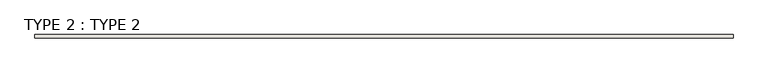
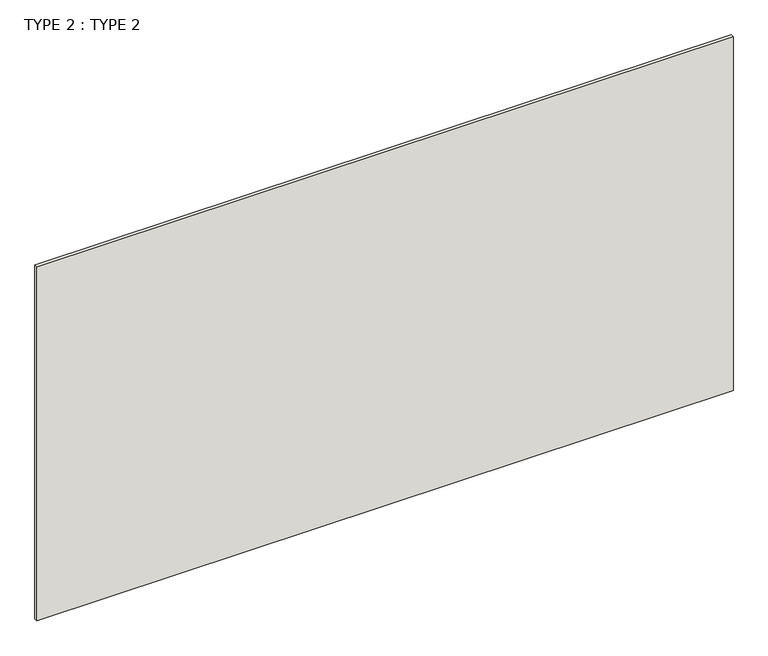
"""IFC4 building model written with IfcOpenShell, lengths in millimetres: wall geometry, TYPE 2 : TYPE 2."""

from ifc_helpers import new_model, si_unit, origin, origin_with_axes, place, context, project, spatial, polyline, outline, extrude, source, transform, mapped, element, save


def type_2_type_2_4f7b3707(model_context):
    return source(origin(), model_context, "Body", "SweptSolid", [
        extrude(outline(polyline([(-39219.1440345, 25927.840365), (-49277.5440345, 25927.840365), (-49277.5440345, 25978.640365), (-39219.1440345, 25978.640365), (-39219.1440345, 25927.840365)])), origin_with_axes(), (0.0, 0.0, 1.0), 5403.85),
    ])


if __name__ == "__main__":
    model = new_model("IFC4")
    model_context = context("Model", 3, world=origin())
    ifc_project = project(units=[si_unit("LENGTHUNIT", "METRE", prefix="MILLI")], contexts=[model_context])
    site = spatial("IfcSite", under=ifc_project)
    building = spatial("IfcBuilding", under=site)
    placement = place(None, origin())
    type_2_type_2_shape = type_2_type_2_4f7b3707(model_context)
    element("IfcWall", 1, ObjectType="TYPE 2 : TYPE 2", at=placement, inside=building, context=model_context, shape_type="MappedRepresentation", body=[
        mapped(type_2_type_2_shape, transform((0.0, 0.0, 0.0), x_axis=(1.0, 0.0, 0.0), y_axis=(0.0, 1.0, 0.0), z_axis=(0.0, 0.0, 1.0))),
    ])
    save(model, "model.ifc")
